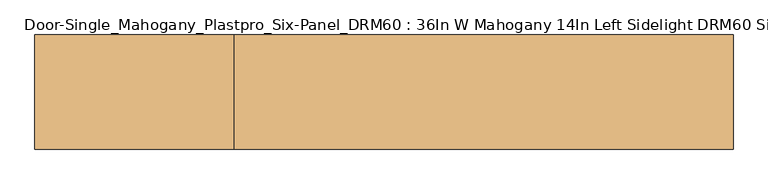
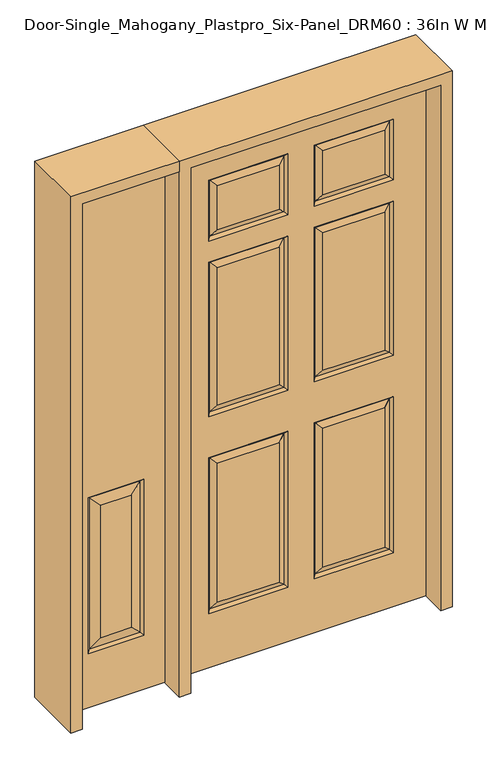
"""IFC4 building model written with IfcOpenShell, lengths in millimetres: door geometry, Door-Single_Mahogany_Plastpro_Six-Panel_DRM60 : 36In W Mahogany 14In Left Sidelight DRM60 Six Panel - 80In."""

from ifc_helpers import new_model, si_unit, frame, origin, place, context, project, spatial, polyline, outline, extrude, faceted_brep, source, transform, mapped, element, save


def door_single_mahogany_plastpro_six_panel_drm60_36in_w_c6109f11(model_context):
    return source(origin(), model_context, "Body", "SolidModel", [
        faceted_brep([(-854.075, -20.6375, 0.0), (-498.475, -20.6375, 0.0), (-498.475, -20.6375, 2032.0), (-854.075, -20.6375, 2032.0), (-574.675, -20.6375, 209.55), (-777.875, -20.6375, 209.55), (-777.875, -20.6375, 812.8), (-574.675, -20.6375, 812.8), (-731.8375, -20.6375, 255.5875), (-620.7125, -20.6375, 255.5875), (-620.7125, -20.6375, 766.7625), (-731.8375, -20.6375, 766.7625), (-854.075, 20.6375, 0.0), (-498.475, 20.6375, 0.0), (-498.475, 20.6375, 2032.0), (-854.075, 20.6375, 2032.0), (-777.875, 20.6375, 209.55), (-574.675, 20.6375, 209.55), (-574.675, 20.6375, 812.8), (-777.875, 20.6375, 812.8), (-620.7125, 20.6375, 255.5875), (-731.8375, 20.6375, 255.5875), (-731.8375, 20.6375, 766.7625), (-620.7125, 20.6375, 766.7625), (-583.6552561, -11.6572439, 218.5302561), (-768.8947439, -11.6572439, 218.5302561), (-768.8947439, -11.6572439, 803.8197439), (-583.6552561, -11.6572439, 803.8197439), (-768.8947439, 11.6572439, 218.5302561), (-583.6552561, 11.6572439, 218.5302561), (-583.6552561, 11.6572439, 803.8197439), (-768.8947439, 11.6572439, 803.8197439)], [[[0, 1, 2, 3], [4, 5, 6, 7]], [[8, 9, 10, 11]], [[1, 0, 12, 13]], [[2, 1, 13, 14]], [[0, 3, 15, 12]], [[12, 15, 14, 13], [16, 17, 18, 19]], [[20, 21, 22, 23]], [[3, 2, 14, 15]], [[24, 25, 5, 4]], [[5, 25, 26, 6]], [[6, 26, 27, 7]], [[24, 4, 7, 27]], [[25, 24, 9, 8]], [[9, 24, 27, 10]], [[26, 11, 10, 27]], [[25, 8, 11, 26]], [[16, 28, 29, 17]], [[17, 29, 30, 18]], [[31, 19, 18, 30]], [[28, 16, 19, 31]], [[29, 28, 21, 20]], [[21, 28, 31, 22]], [[22, 31, 30, 23]], [[29, 20, 23, 30]]]),
        faceted_brep([(457.2, -20.6375, 0.0), (-457.2, -20.6375, 0.0), (-457.2, 20.6375, 0.0), (457.2, 20.6375, 0.0), (-305.5351108, -20.6375, 1004.0531705), (-80.1281705, -20.6375, 1004.0531705), (-80.1281705, -20.6375, 1535.9468295), (-305.5351108, -20.6375, 1535.9468295), (80.1291512, -20.6375, 1004.0541512), (305.5341301, -20.6375, 1004.0541512), (305.5341301, -20.6375, 1535.9458488), (80.1291512, -20.6375, 1535.9458488), (80.1281705, -20.6375, 242.0531705), (305.5351108, -20.6375, 242.0531705), (305.5351108, -20.6375, 780.2968295), (80.1281705, -20.6375, 780.2968295), (-305.5351108, -20.6375, 242.0531705), (-80.1281705, -20.6375, 242.0531705), (-80.1281705, -20.6375, 780.2968295), (-305.5351108, -20.6375, 780.2968295), (80.1281705, -20.6375, 1683.5031705), (305.5351108, -20.6375, 1683.5031705), (305.5351108, -20.6375, 1853.4468295), (80.1281705, -20.6375, 1853.4468295), (-305.5351108, -20.6375, 1683.5031705), (-80.1281705, -20.6375, 1683.5031705), (-80.1281705, -20.6375, 1853.4468295), (-305.5351108, -20.6375, 1853.4468295), (457.2, -20.6375, 2032.0), (-457.2, -20.6375, 2032.0), (338.0372993, -20.6375, 971.5509819), (47.6259819, -20.6375, 971.5509819), (47.6259819, -20.6375, 1568.4490181), (338.0372993, -20.6375, 1568.4490181), (-47.6250012, -20.6375, 971.5500012), (-338.03828, -20.6375, 971.5500012), (-338.03828, -20.6375, 1568.4499988), (-47.6250012, -20.6375, 1568.4499988), (338.03828, -20.6375, 209.5500012), (47.6250012, -20.6375, 209.5500012), (47.6250012, -20.6375, 812.7999988), (338.03828, -20.6375, 812.7999988), (-47.6250012, -20.6375, 209.5500012), (-338.03828, -20.6375, 209.5500012), (-338.03828, -20.6375, 812.7999988), (-47.6250012, -20.6375, 812.7999988), (338.03828, -20.6375, 1651.0000012), (47.6250012, -20.6375, 1651.0000012), (47.6250012, -20.6375, 1885.9499988), (338.03828, -20.6375, 1885.9499988), (-47.6250012, -20.6375, 1651.0000012), (-338.03828, -20.6375, 1651.0000012), (-338.03828, -20.6375, 1885.9499988), (-47.6250012, -20.6375, 1885.9499988), (-457.2, 20.6375, 2032.0), (-80.1281705, 20.6375, 1004.0531705), (-305.5351108, 20.6375, 1004.0531705), (-305.5351108, 20.6375, 1535.9468295), (-80.1281705, 20.6375, 1535.9468295), (305.5341301, 20.6375, 1004.0541512), (80.1291512, 20.6375, 1004.0541512), (80.1291512, 20.6375, 1535.9458488), (305.5341301, 20.6375, 1535.9458488), (305.5351108, 20.6375, 242.0531705), (80.1281705, 20.6375, 242.0531705), (80.1281705, 20.6375, 780.2968295), (305.5351108, 20.6375, 780.2968295), (-80.1281705, 20.6375, 242.0531705), (-305.5351108, 20.6375, 242.0531705), (-305.5351108, 20.6375, 780.2968295), (-80.1281705, 20.6375, 780.2968295), (305.5351108, 20.6375, 1683.5031705), (80.1281705, 20.6375, 1683.5031705), (80.1281705, 20.6375, 1853.4468295), (305.5351108, 20.6375, 1853.4468295), (-80.1281705, 20.6375, 1683.5031705), (-305.5351108, 20.6375, 1683.5031705), (-305.5351108, 20.6375, 1853.4468295), (-80.1281705, 20.6375, 1853.4468295), (457.2, 20.6375, 2032.0), (-338.03828, 20.6375, 971.5500012), (-47.6250012, 20.6375, 971.5500012), (-47.6250012, 20.6375, 1568.4499988), (-338.03828, 20.6375, 1568.4499988), (47.6259819, 20.6375, 971.5509819), (338.0372993, 20.6375, 971.5509819), (338.0372993, 20.6375, 1568.4490181), (47.6259819, 20.6375, 1568.4490181), (47.6250012, 20.6375, 209.5500012), (338.03828, 20.6375, 209.5500012), (338.03828, 20.6375, 812.7999988), (47.6250012, 20.6375, 812.7999988), (-338.03828, 20.6375, 209.5500012), (-47.6250012, 20.6375, 209.5500012), (-47.6250012, 20.6375, 812.7999988), (-338.03828, 20.6375, 812.7999988), (47.6250012, 20.6375, 1651.0000012), (338.03828, 20.6375, 1651.0000012), (338.03828, 20.6375, 1885.9499988), (47.6250012, 20.6375, 1885.9499988), (-338.03828, 20.6375, 1651.0000012), (-47.6250012, 20.6375, 1651.0000012), (-47.6250012, 20.6375, 1885.9499988), (-338.03828, 20.6375, 1885.9499988), (-328.3527618, 10.9519818, 981.2355194), (-57.3105194, 10.9519818, 981.2355194), (-57.3105194, 10.9519818, 1558.7644806), (-328.3527618, 10.9519818, 1558.7644806), (57.3115001, 10.9519818, 981.2365001), (328.3517811, 10.9519818, 981.2365001), (328.3517811, 10.9519818, 1558.7634999), (57.3115001, 10.9519818, 1558.7634999), (57.3105194, 10.9519818, 219.2355194), (328.3527618, 10.9519818, 219.2355194), (328.3527618, 10.9519818, 803.1144806), (57.3105194, 10.9519818, 803.1144806), (-328.3527618, 10.9519818, 219.2355194), (-57.3105194, 10.9519818, 219.2355194), (-57.3105194, 10.9519818, 803.1144806), (-328.3527618, 10.9519818, 803.1144806), (-328.3527618, -10.9519818, 981.2355194), (-57.3105194, -10.9519818, 981.2355194), (-57.3105194, -10.9519818, 1558.7644806), (-328.3527618, -10.9519818, 1558.7644806), (57.3115001, -10.9519818, 981.2365001), (328.3517811, -10.9519818, 981.2365001), (328.3517811, -10.9519818, 1558.7634999), (57.3115001, -10.9519818, 1558.7634999), (57.3105194, -10.9519818, 219.2355194), (328.3527618, -10.9519818, 219.2355194), (328.3527618, -10.9519818, 803.1144806), (57.3105194, -10.9519818, 803.1144806), (-328.3527618, -10.9519818, 219.2355194), (-57.3105194, -10.9519818, 219.2355194), (-57.3105194, -10.9519818, 803.1144806), (-328.3527618, -10.9519818, 803.1144806), (57.3105194, 10.9519818, 1660.6855194), (328.3527618, 10.9519818, 1660.6855194), (57.3105194, -10.9519818, 1660.6855194), (328.3527618, -10.9519818, 1660.6855194), (57.3105194, 10.9519818, 1876.2644806), (57.3105194, -10.9519818, 1876.2644806), (328.3527618, 10.9519818, 1876.2644806), (328.3527618, -10.9519818, 1876.2644806), (-328.3527618, 10.9519818, 1660.6855194), (-57.3105194, 10.9519818, 1660.6855194), (-328.3527618, 10.9519818, 1876.2644806), (-57.3105194, 10.9519818, 1876.2644806), (-328.3527618, -10.9519818, 1660.6855194), (-57.3105194, -10.9519818, 1660.6855194), (-328.3527618, -10.9519818, 1876.2644806), (-57.3105194, -10.9519818, 1876.2644806)], [[[0, 1, 2, 3]], [[4, 5, 6, 7]], [[8, 9, 10, 11]], [[12, 13, 14, 15]], [[16, 17, 18, 19]], [[20, 21, 22, 23]], [[24, 25, 26, 27]], [[28, 29, 1, 0], [30, 31, 32, 33], [34, 35, 36, 37], [38, 39, 40, 41], [42, 43, 44, 45], [46, 47, 48, 49], [50, 51, 52, 53]], [[29, 54, 2, 1]], [[55, 56, 57, 58]], [[59, 60, 61, 62]], [[63, 64, 65, 66]], [[67, 68, 69, 70]], [[71, 72, 73, 74]], [[75, 76, 77, 78]], [[54, 79, 3, 2], [80, 81, 82, 83], [84, 85, 86, 87], [88, 89, 90, 91], [92, 93, 94, 95], [96, 97, 98, 99], [100, 101, 102, 103]], [[79, 28, 0, 3]], [[80, 104, 105, 81]], [[81, 105, 106, 82]], [[104, 80, 83, 107]], [[105, 104, 56, 55]], [[56, 104, 107, 57]], [[105, 55, 58, 106]], [[84, 108, 109, 85]], [[85, 109, 110, 86]], [[108, 84, 87, 111]], [[109, 108, 60, 59]], [[60, 108, 111, 61]], [[109, 59, 62, 110]], [[88, 112, 113, 89]], [[89, 113, 114, 90]], [[115, 91, 90, 114]], [[112, 88, 91, 115]], [[113, 112, 64, 63]], [[64, 112, 115, 65]], [[65, 115, 114, 66]], [[113, 63, 66, 114]], [[92, 116, 117, 93]], [[93, 117, 118, 94]], [[119, 95, 94, 118]], [[116, 92, 95, 119]], [[117, 116, 68, 67]], [[68, 116, 119, 69]], [[69, 119, 118, 70]], [[117, 67, 70, 118]], [[4, 120, 121, 5]], [[5, 121, 122, 6]], [[120, 4, 7, 123]], [[121, 120, 35, 34]], [[35, 120, 123, 36]], [[121, 34, 37, 122]], [[8, 124, 125, 9]], [[9, 125, 126, 10]], [[124, 8, 11, 127]], [[125, 124, 31, 30]], [[31, 124, 127, 32]], [[125, 30, 33, 126]], [[12, 128, 129, 13]], [[13, 129, 130, 14]], [[131, 15, 14, 130]], [[128, 12, 15, 131]], [[129, 128, 39, 38]], [[39, 128, 131, 40]], [[40, 131, 130, 41]], [[129, 38, 41, 130]], [[16, 132, 133, 17]], [[17, 133, 134, 18]], [[135, 19, 18, 134]], [[132, 16, 19, 135]], [[133, 132, 43, 42]], [[43, 132, 135, 44]], [[44, 135, 134, 45]], [[133, 42, 45, 134]], [[96, 136, 137, 97]], [[137, 136, 72, 71]], [[20, 138, 139, 21]], [[139, 138, 47, 46]], [[136, 96, 99, 140]], [[72, 136, 140, 73]], [[138, 20, 23, 141]], [[47, 138, 141, 48]], [[140, 99, 98, 142]], [[73, 140, 142, 74]], [[141, 23, 22, 143]], [[48, 141, 143, 49]], [[97, 137, 142, 98]], [[137, 71, 74, 142]], [[21, 139, 143, 22]], [[139, 46, 49, 143]], [[28, 79, 54, 29]], [[100, 144, 145, 101]], [[145, 144, 76, 75]], [[144, 100, 103, 146]], [[76, 144, 146, 77]], [[146, 103, 102, 147]], [[77, 146, 147, 78]], [[101, 145, 147, 102]], [[145, 75, 78, 147]], [[24, 148, 149, 25]], [[149, 148, 51, 50]], [[148, 24, 27, 150]], [[51, 148, 150, 52]], [[150, 27, 26, 151]], [[52, 150, 151, 53]], [[25, 149, 151, 26]], [[149, 50, 53, 151]], [[107, 83, 82, 106]], [[57, 107, 106, 58]], [[123, 7, 6, 122]], [[36, 123, 122, 37]], [[111, 87, 86, 110]], [[61, 111, 110, 62]], [[127, 11, 10, 126]], [[32, 127, 126, 33]]]),
        extrude(outline(polyline([(2032.0, -498.475), (2073.275, -498.475), (2073.275, -895.35), (0.0, -895.35), (0.0, -854.075), (2032.0, -854.075), (2032.0, -498.475)])), frame((0.0, -114.3, 0.0), z_axis=(0.0, 1.0, 0.0), x_axis=(0.0, 0.0, 1.0)), (0.0, 0.0, 1.0), 228.6),
        extrude(outline(polyline([(2073.275, -498.475), (0.0, -498.475), (0.0, -457.2), (2032.0, -457.2), (2032.0, 457.2), (0.0, 457.2), (0.0, 498.475), (2073.275, 498.475), (2073.275, -498.475)])), frame((0.0, -114.3, 0.0), z_axis=(0.0, 1.0, 0.0), x_axis=(0.0, 0.0, 1.0)), (0.0, 0.0, 1.0), 228.6),
    ])


if __name__ == "__main__":
    model = new_model("IFC4")
    model_context = context("Model", 3, world=origin())
    ifc_project = project(units=[si_unit("LENGTHUNIT", "METRE", prefix="MILLI")], contexts=[model_context])
    site = spatial("IfcSite", under=ifc_project)
    building = spatial("IfcBuilding", under=site)
    placement = place(None, origin())
    door_single_mahogany_plastpro_six_panel_drm60_36in_w_shape = door_single_mahogany_plastpro_six_panel_drm60_36in_w_c6109f11(model_context)
    element("IfcDoor", 1, ObjectType="Door-Single_Mahogany_Plastpro_Six-Panel_DRM60 : 36In W Mahogany 14In Left Sidelight DRM60 Six Panel - 80In", at=placement, inside=building, context=model_context, shape_type="MappedRepresentation", body=[
        mapped(door_single_mahogany_plastpro_six_panel_drm60_36in_w_shape, transform((0.0, 0.0, 0.0), x_axis=(1.0, 0.0, 0.0), y_axis=(0.0, 1.0, 0.0), z_axis=(0.0, 0.0, 1.0))),
    ])
    save(model, "model.ifc")
